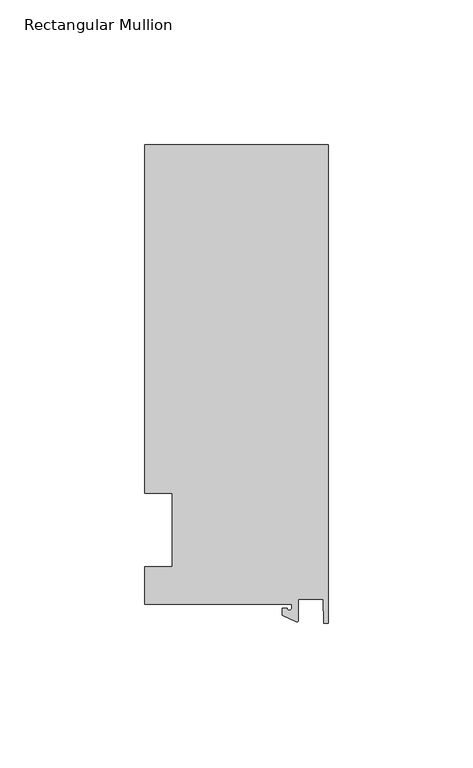
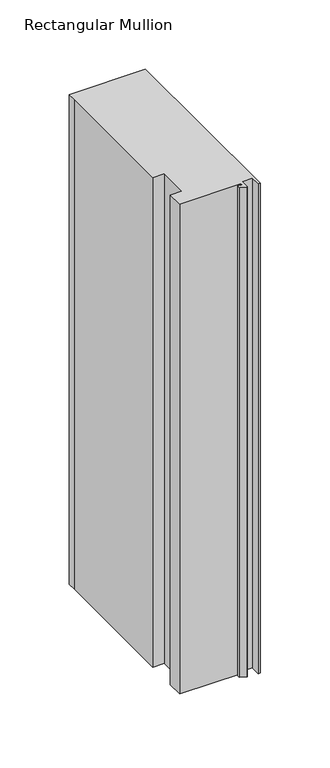
"""IFC4 building model written with IfcOpenShell, lengths in millimetres: member geometry, Rectangular Mullion."""

from ifc_helpers import new_model, si_unit, point, frame, frame_2d, origin, place, context, project, spatial, polyline, circle_curve, trimmed, segment, composite_curve, outline, extrude, source, transform, mapped, element, save


def rectangular_mullion_5df511ba(model_context):
    return source(origin(), model_context, "Body", "SweptSolid", [
        extrude(outline(composite_curve([segment(polyline([(-12.6173814, -25.796875), (-63.5, -25.796875), (-63.5, -12.7), (-53.975, -12.7), (-53.975, 12.7), (-63.5, 12.7), (-63.5, 125.8114907), (-63.5, 133.34365), (0.0, 133.34365), (0.0, -32.288874), (-1.5658966, -32.288874), (-1.7144124, -23.9227662), (-10.2297814, -23.9227662), (-10.2297814, -31.2414327)]), True, "CONTINUOUS"), segment(trimmed(circle_curve(frame_2d((-10.7377814, -31.2414327)), 0.508), [point((-10.2297814, -31.2414327))], [point((-10.9524715, -31.7018371))], False, "CARTESIAN"), True, "CONTINUOUS"), segment(polyline([(-10.9524715, -31.7018371), (-15.7923814, -29.44495), (-15.7923814, -27.0827507), (-14.2048814, -27.0827507)]), True, "CONTINUOUS"), segment(trimmed(circle_curve(frame_2d((-13.4111314, -27.0827507)), 0.79375), [point((-14.2048814, -27.0827507))], [point((-12.6173814, -27.0827507))], True, "CARTESIAN"), True, "CONTINUOUS"), segment(polyline([(-12.6173814, -27.0827507), (-12.6173814, -25.796875)]), True, "CONTINUOUS")], self_intersect=False)), frame((0.0, 0.0, -431.8), z_axis=(0.0, 0.0, 1.0), x_axis=(1.0, 0.0, 0.0)), (0.0, 0.0, 1.0), 431.8),
    ])


if __name__ == "__main__":
    model = new_model("IFC4")
    model_context = context("Model", 3, world=origin())
    ifc_project = project(units=[si_unit("LENGTHUNIT", "METRE", prefix="MILLI")], contexts=[model_context])
    site = spatial("IfcSite", under=ifc_project)
    building = spatial("IfcBuilding", under=site)
    placement = place(None, origin())
    rectangular_mullion_shape = rectangular_mullion_5df511ba(model_context)
    element("IfcMember", 1, ObjectType="Rectangular Mullion", at=placement, inside=building, context=model_context, shape_type="MappedRepresentation", body=[
        mapped(rectangular_mullion_shape, transform((0.0, 0.0, 0.0), x_axis=(1.0, 0.0, 0.0), y_axis=(0.0, 1.0, 0.0), z_axis=(0.0, 0.0, 1.0))),
    ])
    save(model, "model.ifc")
